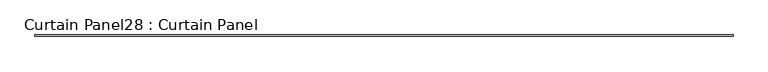
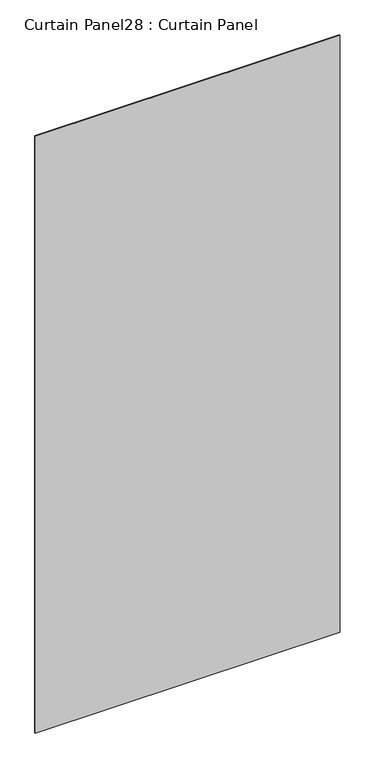
"""IFC4 building model written with IfcOpenShell, lengths in millimetres: plate geometry, Curtain Panel28 : Curtain Panel."""

from ifc_helpers import new_model, si_unit, frame, origin, place, context, project, spatial, polyline, outline, extrude, source, transform, mapped, element, save


def curtain_panel28_curtain_panel_2982a89f(model_context):
    return source(origin(), model_context, "Body", "SweptSolid", [
        extrude(outline(polyline([(145559.5946504, 2970.258133), (142659.257472, 2970.258133), (142659.257472, 2976.608133), (145559.5946504, 2976.608133), (145559.5946504, 2970.258133)])), frame((0.0, 0.0, 1189.0483791), z_axis=(0.0, 0.0, 1.0), x_axis=(1.0, 0.0, 0.0)), (0.0, 0.0, 1.0), 6000.75),
    ])


if __name__ == "__main__":
    model = new_model("IFC4")
    model_context = context("Model", 3, world=origin())
    ifc_project = project(units=[si_unit("LENGTHUNIT", "METRE", prefix="MILLI")], contexts=[model_context])
    site = spatial("IfcSite", under=ifc_project)
    building = spatial("IfcBuilding", under=site)
    placement = place(None, origin())
    curtain_panel28_curtain_panel_shape = curtain_panel28_curtain_panel_2982a89f(model_context)
    element("IfcPlate", 1, ObjectType="Curtain Panel28 : Curtain Panel", at=placement, inside=building, context=model_context, shape_type="MappedRepresentation", body=[
        mapped(curtain_panel28_curtain_panel_shape, transform((0.0, 0.0, 0.0), x_axis=(1.0, 0.0, 0.0), y_axis=(0.0, 1.0, 0.0), z_axis=(0.0, 0.0, 1.0))),
    ])
    save(model, "model.ifc")
